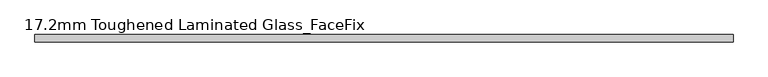
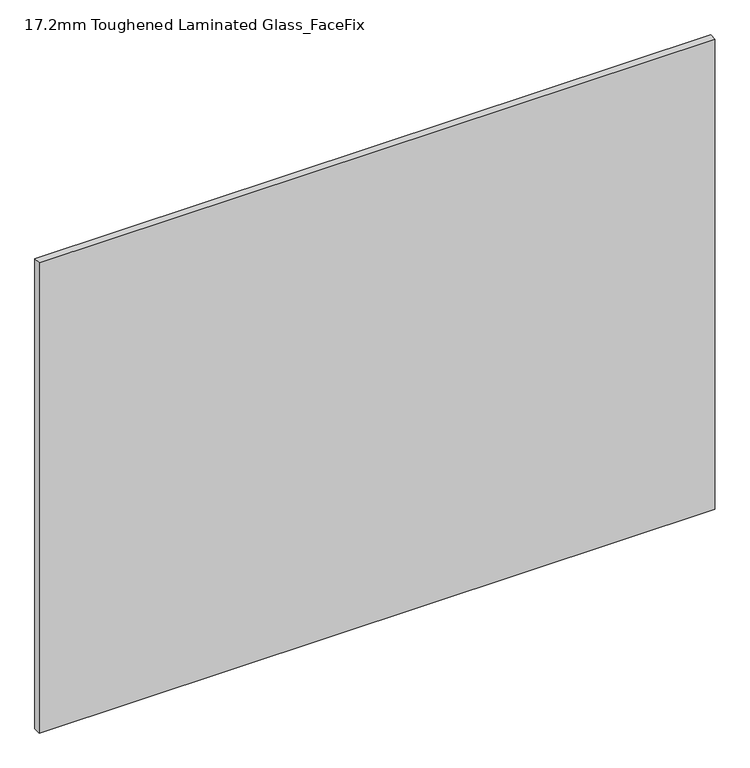
"""IFC4 building model written with IfcOpenShell, lengths in millimetres: plate geometry, 17.2mm Toughened Laminated Glass_FaceFix."""

from ifc_helpers import new_model, si_unit, origin, origin_with_axes, place, context, project, spatial, polyline, outline, extrude, source, transform, mapped, element, save


def plate_17_2mm_toughened_laminated_glass_facefix_d42350f6(model_context):
    return source(origin(), model_context, "Body", "SweptSolid", [
        extrude(outline(polyline([(795.0000001, -23.4), (795.0000001, -40.6), (-795.0000001, -40.6), (-795.0000001, -23.4), (795.0000001, -23.4)])), origin_with_axes(), (0.0, 0.0, 1.0), 1170.0),
    ])


if __name__ == "__main__":
    model = new_model("IFC4")
    model_context = context("Model", 3, world=origin())
    ifc_project = project(units=[si_unit("LENGTHUNIT", "METRE", prefix="MILLI")], contexts=[model_context])
    site = spatial("IfcSite", under=ifc_project)
    building = spatial("IfcBuilding", under=site)
    placement = place(None, origin())
    plate_17_2mm_toughened_laminated_glass_facefix_shape = plate_17_2mm_toughened_laminated_glass_facefix_d42350f6(model_context)
    element("IfcPlate", 1, ObjectType="17.2mm Toughened Laminated Glass_FaceFix", at=placement, inside=building, context=model_context, shape_type="MappedRepresentation", body=[
        mapped(plate_17_2mm_toughened_laminated_glass_facefix_shape, transform((0.0, 0.0, 0.0), x_axis=(1.0, 0.0, 0.0), y_axis=(0.0, 1.0, 0.0), z_axis=(0.0, 0.0, 1.0))),
    ])
    save(model, "model.ifc")
